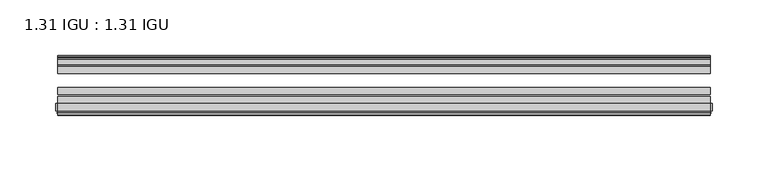
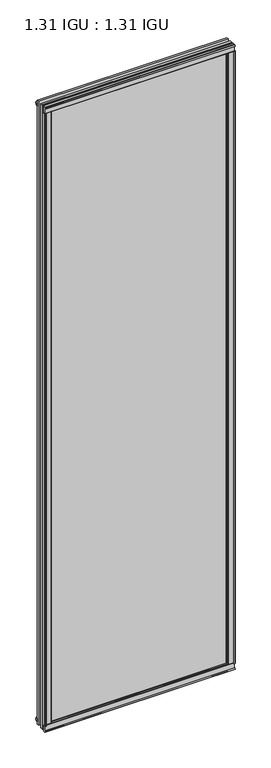
"""IFC4 building model written with IfcOpenShell, lengths in millimetres: plate geometry, 1.31 IGU : 1.31 IGU."""

from ifc_helpers import new_model, si_unit, point, frame, frame_2d, origin, origin_with_axes, place, context, project, spatial, polyline, circle_curve, trimmed, segment, composite_curve, outline, extrude, source, transform, mapped, element, save


def plate_1_31_igu_1_31_igu_0165ce88(model_context):
    return source(origin(), model_context, "Body", "SweptSolid", [
        extrude(outline(polyline([(279.4065235, -11.1943457), (278.0044901, -11.5700195), (277.7744, -10.7113114), (280.1874, -10.06475), (282.6004, -10.7113114), (282.3703099, -11.5700195), (280.9682765, -11.1943457), (281.5844, -13.49375), (285.2629741, -13.49375), (285.2629741, -18.1284104), (283.8343294, -19.84375), (272.1216588, -19.84375), (273.8374, -13.49375), (278.7904, -13.49375), (279.4065235, -11.1943457)])), origin_with_axes(), (0.0, 0.0, 1.0), 1993.9),
        extrude(outline(polyline([(-279.4065235, -11.1943457), (-278.7904, -13.49375), (-273.8374, -13.49375), (-272.1216588, -19.84375), (-283.8343294, -19.84375), (-285.2629741, -18.1284104), (-285.2629741, -13.49375), (-281.5844, -13.49375), (-280.9682765, -11.1943457), (-282.3703099, -11.5700195), (-282.6004, -10.7113114), (-280.1874, -10.06475), (-277.7744, -10.7113114), (-278.0044901, -11.5700195), (-279.4065235, -11.1943457)])), origin_with_axes(), (0.0, 0.0, 1.0), 1993.9),
        extrude(outline(polyline([(-13.49375, -5.7276998), (-11.1943457, -6.3438233), (-11.5700195, -4.9417899), (-10.7113114, -4.7116998), (-10.06475, -7.1246998), (-10.7113114, -9.5376998), (-11.5700195, -9.3076097), (-11.1943457, -7.9055763), (-13.49375, -8.5216998), (-13.49375, -12.2002739), (-18.1284104, -12.2002739), (-19.84375, -10.7716292), (-19.84375, 0.9410414), (-13.49375, -0.7746998), (-13.49375, -5.7276998)])), frame((-292.1, 0.0, 0.0), z_axis=(1.0, 0.0, 0.0), x_axis=(0.0, 1.0, 0.0)), (0.0, 0.0, 1.0), 584.2),
        extrude(outline(composite_curve([segment(polyline([(-55.9719113, 2.457708), (-53.16855, 3.0868452), (-53.16855, -20.9097918), (-59.51855, -20.9097918), (-59.51855, -18.6868471), (-62.0391488, -18.0752025), (-61.5965021, -19.0933159), (-61.5965021, -19.98942), (-63.2729251, -17.4063265), (-61.3290281, -15.2058028), (-61.3290281, -16.0360741), (-61.9417436, -16.9618553), (-59.51855, -16.8077164), (-59.51855, 0.6826418)]), True, "CONTINUOUS"), segment(trimmed(circle_curve(frame_2d((-58.24855, 0.6826418)), 1.27), [point((-59.51855, 0.6826418))], [point((-58.6007815, 1.9028193))], False, "CARTESIAN"), True, "CONTINUOUS"), segment(polyline([(-58.6007815, 1.9028193), (-55.9719113, 2.457708)]), True, "CONTINUOUS")], self_intersect=False)), frame((-292.1, 0.0, 0.0), z_axis=(1.0, 0.0, 0.0), x_axis=(0.0, 1.0, 0.0)), (0.0, 0.0, 1.0), 584.2),
        extrude(outline(polyline([(-13.49375, 1999.6276998), (-13.49375, 1994.6746998), (-19.84375, 1992.9589586), (-19.84375, 2004.6716292), (-18.1284104, 2006.1002739), (-13.49375, 2006.1002739), (-13.49375, 2002.4216998), (-11.1943457, 2001.8055763), (-11.5700195, 2003.2076097), (-10.7113114, 2003.4376998), (-10.06475, 2001.0246998), (-10.7113114, 1998.6116998), (-11.5700195, 1998.8417899), (-11.1943457, 2000.2438233), (-13.49375, 1999.6276998)])), frame((-292.1, 0.0, 0.0), z_axis=(1.0, 0.0, 0.0), x_axis=(0.0, 1.0, 0.0)), (0.0, 0.0, 1.0), 584.2),
        extrude(outline(composite_curve([segment(polyline([(-55.9719113, 1991.442292), (-58.6007815, 1991.9971807)]), True, "CONTINUOUS"), segment(trimmed(circle_curve(frame_2d((-58.24855, 1993.2173582)), 1.27), [point((-58.6007815, 1991.9971807))], [point((-59.51855, 1993.2173582))], False, "CARTESIAN"), True, "CONTINUOUS"), segment(polyline([(-59.51855, 1993.2173582), (-59.51855, 2010.7077164), (-61.9417436, 2010.8618553), (-61.3290281, 2009.9360741), (-61.3290281, 2009.1058028), (-63.2729251, 2011.3063265), (-61.5965021, 2013.88942), (-61.5965021, 2012.9933159), (-62.0391488, 2011.9752025), (-59.51855, 2012.5868471), (-59.51855, 2014.8097918), (-53.16855, 2014.8097918), (-53.16855, 1990.8131548), (-55.9719113, 1991.442292)]), True, "CONTINUOUS")], self_intersect=False)), frame((-292.1, 0.0, 0.0), z_axis=(1.0, 0.0, 0.0), x_axis=(0.0, 1.0, 0.0)), (0.0, 0.0, 1.0), 584.2),
        extrude(outline(composite_curve([segment(polyline([(-290.4690267, -63.2729251), (-293.0521202, -61.5965021), (-292.1560161, -61.5965021), (-291.1379027, -62.0391488), (-291.7495473, -59.51855), (-293.972492, -59.51855), (-293.972492, -53.16855), (-269.975855, -53.16855), (-270.6049922, -55.9719113), (-271.1598809, -58.6007815)]), True, "CONTINUOUS"), segment(trimmed(circle_curve(frame_2d((-272.3800584, -58.24855)), 1.27), [point((-271.1598809, -58.6007815))], [point((-272.3800584, -59.51855))], False, "CARTESIAN"), True, "CONTINUOUS"), segment(polyline([(-272.3800584, -59.51855), (-289.8704166, -59.51855), (-290.0245555, -61.9417436), (-289.0987743, -61.3290281), (-288.2872463, -61.3290281), (-290.4690267, -63.2729251)]), True, "CONTINUOUS")], self_intersect=False)), origin_with_axes(), (0.0, 0.0, 1.0), 1993.9),
        extrude(outline(composite_curve([segment(polyline([(290.4690267, -63.2729251), (288.2872463, -61.3290281), (289.0987743, -61.3290281), (290.0245555, -61.9417436), (289.8704166, -59.51855), (272.3800584, -59.51855)]), True, "CONTINUOUS"), segment(trimmed(circle_curve(frame_2d((272.3800584, -58.24855)), 1.27), [point((272.3800584, -59.51855))], [point((271.1598809, -58.6007815))], False, "CARTESIAN"), True, "CONTINUOUS"), segment(polyline([(271.1598809, -58.6007815), (270.6049922, -55.9719113), (269.975855, -53.16855), (293.972492, -53.16855), (293.972492, -59.51855), (291.7495473, -59.51855), (291.1379027, -62.0391488), (292.1560161, -61.5965021), (293.0521202, -61.5965021), (290.4690267, -63.2729251)]), True, "CONTINUOUS")], self_intersect=False)), origin_with_axes(), (0.0, 0.0, 1.0), 1993.9),
        extrude(outline(polyline([(292.1, -19.84375), (292.1, -26.14295), (-292.1, -26.14295), (-292.1, -19.84375), (292.1, -19.84375)])), frame((0.0, 0.0, -19.05), z_axis=(0.0, 0.0, 1.0), x_axis=(1.0, 0.0, 0.0)), (0.0, 0.0, 1.0), 2032.0),
        extrude(outline(polyline([(-292.1, -44.83735), (-292.1, -38.53815), (292.1, -38.53815), (292.1, -44.83735), (-292.1, -44.83735)])), frame((0.0, 0.0, -19.05), z_axis=(0.0, 0.0, 1.0), x_axis=(1.0, 0.0, 0.0)), (0.0, 0.0, 1.0), 2032.0),
        extrude(outline(polyline([(-292.1, -53.16855), (-292.1, -46.86935), (292.1, -46.86935), (292.1, -53.16855), (-292.1, -53.16855)])), frame((0.0, 0.0, -19.05), z_axis=(0.0, 0.0, 1.0), x_axis=(1.0, 0.0, 0.0)), (0.0, 0.0, 1.0), 2032.0),
    ])


if __name__ == "__main__":
    model = new_model("IFC4")
    model_context = context("Model", 3, world=origin())
    ifc_project = project(units=[si_unit("LENGTHUNIT", "METRE", prefix="MILLI")], contexts=[model_context])
    site = spatial("IfcSite", under=ifc_project)
    building = spatial("IfcBuilding", under=site)
    placement = place(None, origin())
    plate_1_31_igu_1_31_igu_shape = plate_1_31_igu_1_31_igu_0165ce88(model_context)
    element("IfcPlate", 1, ObjectType="1.31 IGU : 1.31 IGU", at=placement, inside=building, context=model_context, shape_type="MappedRepresentation", body=[
        mapped(plate_1_31_igu_1_31_igu_shape, transform((0.0, 0.0, 0.0), x_axis=(1.0, 0.0, 0.0), y_axis=(0.0, 1.0, 0.0), z_axis=(0.0, 0.0, 1.0))),
    ])
    save(model, "model.ifc")
